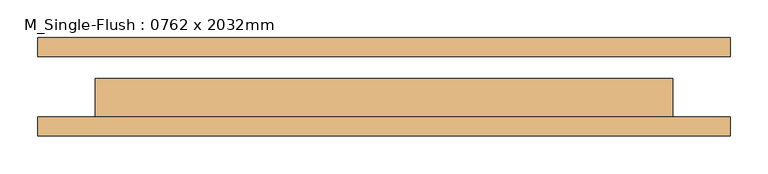
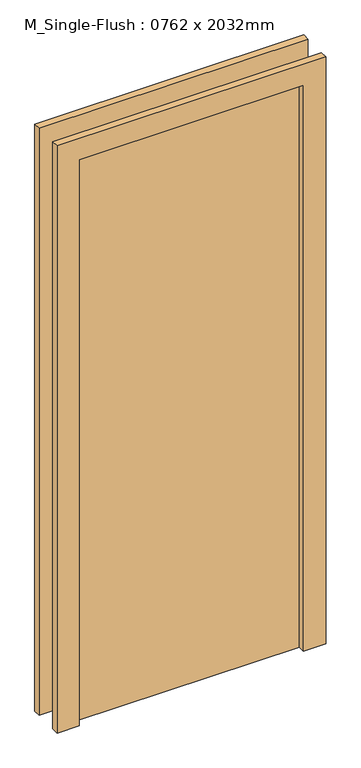
"""IFC4 building model written with IfcOpenShell, lengths in millimetres: door geometry, M_Single-Flush : 0762 x 2032mm."""

from ifc_helpers import new_model, si_unit, frame, origin, origin_with_axes, place, context, project, spatial, polyline, outline, extrude, source, transform, mapped, element, save


def m_single_flush_0762_x_2032mm_00d4e766(model_context):
    return source(origin(), model_context, "Body", "SweptSolid", [
        extrude(outline(polyline([(2108.0, -457.0), (0.0, -457.0), (0.0, -381.0), (2032.0, -381.0), (2032.0, 381.0), (0.0, 381.0), (0.0, 457.0), (2108.0, 457.0), (2108.0, -457.0)])), frame((0.0, -65.0, 0.0), z_axis=(0.0, 1.0, 0.0), x_axis=(0.0, 0.0, 1.0)), (0.0, 0.0, 1.0), 25.0),
        extrude(outline(polyline([(2108.0, 457.0), (2108.0, -457.0), (0.0, -457.0), (0.0, -381.0), (2032.0, -381.0), (2032.0, 381.0), (0.0, 381.0), (0.0, 457.0), (2108.0, 457.0)])), frame((0.0, 40.0, 0.0), z_axis=(0.0, 1.0, 0.0), x_axis=(0.0, 0.0, 1.0)), (0.0, 0.0, 1.0), 25.0),
        extrude(outline(polyline([(381.0, 11.0), (381.0, -40.0), (-381.0, -40.0), (-381.0, 11.0), (381.0, 11.0)])), origin_with_axes(), (0.0, 0.0, 1.0), 2032.0),
    ])


if __name__ == "__main__":
    model = new_model("IFC4")
    model_context = context("Model", 3, world=origin())
    ifc_project = project(units=[si_unit("LENGTHUNIT", "METRE", prefix="MILLI")], contexts=[model_context])
    site = spatial("IfcSite", under=ifc_project)
    building = spatial("IfcBuilding", under=site)
    placement = place(None, origin())
    m_single_flush_0762_x_2032mm_shape = m_single_flush_0762_x_2032mm_00d4e766(model_context)
    element("IfcDoor", 1, ObjectType="M_Single-Flush : 0762 x 2032mm", at=placement, inside=building, context=model_context, shape_type="MappedRepresentation", body=[
        mapped(m_single_flush_0762_x_2032mm_shape, transform((0.0, 0.0, 0.0), x_axis=(1.0, 0.0, 0.0), y_axis=(0.0, 1.0, 0.0), z_axis=(0.0, 0.0, 1.0))),
    ])
    save(model, "model.ifc")
